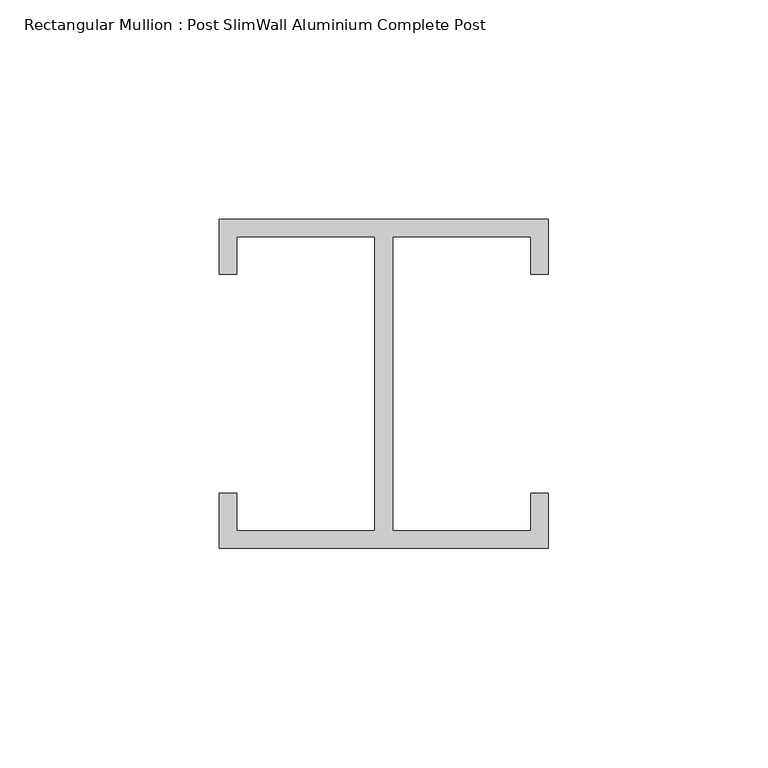
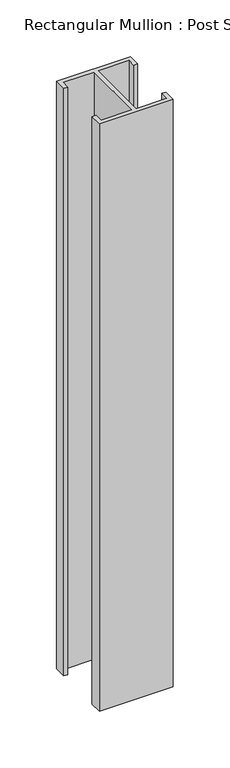
"""IFC4 building model written with IfcOpenShell, lengths in millimetres: member geometry, Rectangular Mullion : Post SlimWall Aluminium Complete Post."""

from ifc_helpers import new_model, si_unit, frame, origin, place, context, project, spatial, polyline, outline, extrude, source, transform, mapped, element, save


def rectangular_mullion_post_slimwall_aluminium_complete_post_c5c78161(model_context):
    return source(origin(), model_context, "Body", "SweptSolid", [
        extrude(outline(polyline([(-33.5, 33.5), (-33.5, 25.0), (-37.5, 25.0), (-37.5, 37.5), (37.5, 37.5), (37.5, 25.0), (33.5, 25.0), (33.5, 33.5), (2.0, 33.5), (2.0, -33.5), (33.5, -33.5), (33.5, -25.0), (37.5, -25.0), (37.5, -37.5), (-37.5, -37.5), (-37.5, -25.0), (-33.5, -25.0), (-33.5, -33.5), (-2.0, -33.5), (-2.0, 33.5), (-33.5, 33.5)])), frame((0.0, 0.0, -630.45), z_axis=(0.0, 0.0, 1.0), x_axis=(1.0, 0.0, 0.0)), (0.0, 0.0, 1.0), 630.45),
    ])


if __name__ == "__main__":
    model = new_model("IFC4")
    model_context = context("Model", 3, world=origin())
    ifc_project = project(units=[si_unit("LENGTHUNIT", "METRE", prefix="MILLI")], contexts=[model_context])
    site = spatial("IfcSite", under=ifc_project)
    building = spatial("IfcBuilding", under=site)
    placement = place(None, origin())
    rectangular_mullion_post_slimwall_aluminium_complete_post_shape = rectangular_mullion_post_slimwall_aluminium_complete_post_c5c78161(model_context)
    element("IfcMember", 1, ObjectType="Rectangular Mullion : Post SlimWall Aluminium Complete Post", at=placement, inside=building, context=model_context, shape_type="MappedRepresentation", body=[
        mapped(rectangular_mullion_post_slimwall_aluminium_complete_post_shape, transform((0.0, 0.0, 0.0), x_axis=(1.0, 0.0, 0.0), y_axis=(0.0, 1.0, 0.0), z_axis=(0.0, 0.0, 1.0))),
    ])
    save(model, "model.ifc")
